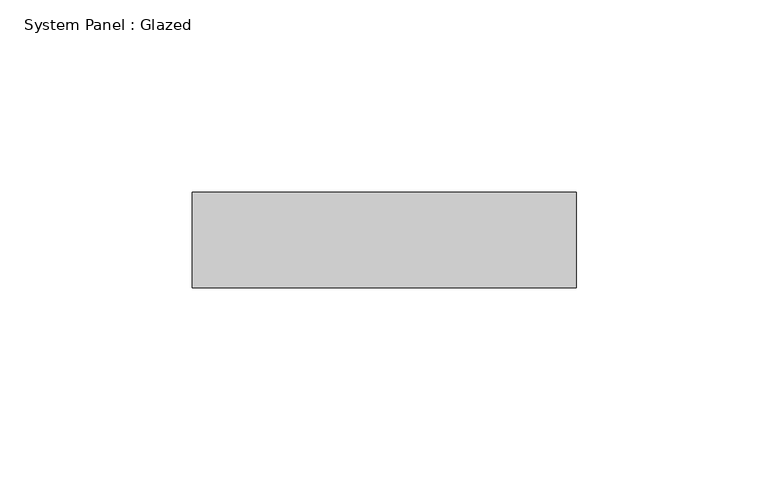
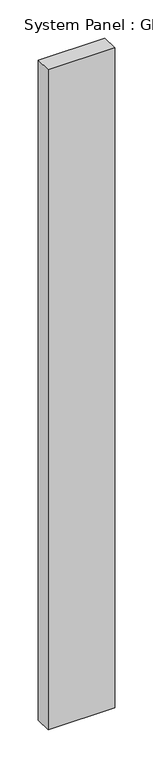
"""IFC4 building model written with IfcOpenShell, lengths in millimetres: plate geometry, System Panel : Glazed."""

import ifcopenshell
import ifcopenshell.guid

model = None  # the IFC model being written
_history = None  # IfcOwnerHistory: only IFC2X3 demands one
_inside = {}  # id of a spatial element -> (the spatial element, [elements in it])
_under = {}  # id of a project, library or spatial element -> (it, [spatial elements below it])
_declared = {}  # id of a project -> (the project, [libraries it declares])
_typed = {}  # id of a type object -> (the type object, [elements of that type])
_made_of = {}  # id of a material, layer set ... -> (it, [elements and type objects made of it])


def new_model(schema):
    """Start an empty IFC model of exactly this schema.

    Asked for "IFC4X3", IfcOpenShell would pick the latest addendum, in which some entities
    have other attributes; the version numbers below select the first issue.
    IFC2X3 requires an IfcOwnerHistory on every rooted entity: one is made here for all.
    """
    global model, _history
    if schema == "IFC4X3":
        model = ifcopenshell.file(schema_version=(4, 3, 0, 0))
    else:
        model = ifcopenshell.file(schema=schema)
    _inside.clear()
    _under.clear()
    _declared.clear()
    _typed.clear()
    _made_of.clear()
    _history = None
    if model.schema == "IFC2X3":
        org = make("IfcOrganization", Name="unknown")
        user = make(
            "IfcPersonAndOrganization",
            ThePerson=make("IfcPerson", FamilyName="unknown"),
            TheOrganization=org,
        )
        app = make(
            "IfcApplication",
            ApplicationDeveloper=org,
            Version="unknown",
            ApplicationFullName="unknown",
            ApplicationIdentifier="unknown",
        )
        _history = make(
            "IfcOwnerHistory",
            OwningUser=user,
            OwningApplication=app,
            ChangeAction="ADDED",
            CreationDate=0,
        )
    return model


def make(cls, **values):
    """One entity of the class cls with the attributes given. An attribute that is None is left unset."""
    return model.create_entity(
        cls, **{name: value for name, value in values.items() if value is not None}
    )


def rooted(cls, **values):
    """An entity with a GlobalId (a new one), such as an element, a storey or a relation."""
    return make(cls, GlobalId=ifcopenshell.guid.new(), OwnerHistory=_history, **values)


def si_unit(unit_type, name, prefix=None):
    """IfcSIUnit, for example si_unit("LENGTHUNIT", "METRE", prefix="MILLI")."""
    return make("IfcSIUnit", UnitType=unit_type, Prefix=prefix, Name=name)


def assignment(units):
    """IfcUnitAssignment: the units of a project."""
    return None if units is None else make("IfcUnitAssignment", Units=units)


def point(xyz):
    """IfcCartesianPoint."""
    return None if xyz is None else make("IfcCartesianPoint", Coordinates=xyz)


def direction(xyz):
    """IfcDirection."""
    return None if xyz is None else make("IfcDirection", DirectionRatios=xyz)


def frame(location, z_axis=None, x_axis=None):
    """IfcAxis2Placement3D, a coordinate frame: its origin and axes. An axis left out is left unset."""
    return make(
        "IfcAxis2Placement3D",
        Location=point(location),
        Axis=direction(z_axis),
        RefDirection=direction(x_axis),
    )


def origin():
    """The frame at (0, 0, 0) with its axes left unset."""
    return frame((0.0, 0.0, 0.0))


def origin_with_axes():
    """The frame at (0, 0, 0) with the z axis (0, 0, 1) and the x axis (1, 0, 0) written out."""
    return frame((0.0, 0.0, 0.0), z_axis=(0.0, 0.0, 1.0), x_axis=(1.0, 0.0, 0.0))


def place(relative_to, where):
    """IfcLocalPlacement: puts the frame where relative to a parent placement (None: the world)."""
    return make(
        "IfcLocalPlacement", PlacementRelTo=relative_to, RelativePlacement=where
    )


def context(
    kind, dimensions, precision=None, world=None, true_north=None, identifier=None
):
    """IfcGeometricRepresentationContext, for example the 3D "Model" context."""
    return make(
        "IfcGeometricRepresentationContext",
        ContextIdentifier=identifier,
        ContextType=kind,
        CoordinateSpaceDimension=dimensions,
        Precision=precision,
        WorldCoordinateSystem=world,
        TrueNorth=true_north,
    )


def project(units=None, contexts=None):
    """IfcProject with its units and contexts."""
    return rooted(
        "IfcProject",
        Name="project",
        RepresentationContexts=contexts,
        UnitsInContext=assignment(units),
    )


def spatial(cls, under=None, at=None, **own):
    """A site, building, storey or space (cls), placed at a placement, below another one or the project."""
    s = rooted(cls, ObjectPlacement=at, **own)
    if under is not None:
        _under.setdefault(under.id(), (under, []))[1].append(s)
    return s


def polyline(points):
    """IfcPolyline through the points."""
    return make("IfcPolyline", Points=[point(p) for p in points])


def outline(outer, holes=None, kind="AREA"):
    """IfcArbitraryClosedProfileDef: a profile drawn as a closed curve; with holes, ...WithVoids."""
    if holes is None:
        return make("IfcArbitraryClosedProfileDef", ProfileType=kind, OuterCurve=outer)
    return make(
        "IfcArbitraryProfileDefWithVoids",
        ProfileType=kind,
        OuterCurve=outer,
        InnerCurves=holes,
    )


def extrude(swept, where, along, depth):
    """IfcExtrudedAreaSolid: the profile swept, set in the frame where, extruded along a direction by depth."""
    return make(
        "IfcExtrudedAreaSolid",
        SweptArea=swept,
        Position=where,
        ExtrudedDirection=direction(along),
        Depth=depth,
    )


def shape(context_of_items, identifier, shape_type, items):
    """IfcShapeRepresentation: the items that make up one representation, for example the "Body"."""
    return make(
        "IfcShapeRepresentation",
        ContextOfItems=context_of_items,
        RepresentationIdentifier=identifier,
        RepresentationType=shape_type,
        Items=items,
    )


def source(mapping_origin, context_of_items, identifier, shape_type, items):
    """IfcRepresentationMap: a shape defined once, which mapped items show again and again."""
    return make(
        "IfcRepresentationMap",
        MappingOrigin=mapping_origin,
        MappedRepresentation=shape(context_of_items, identifier, shape_type, items),
    )


def transform(
    local_origin,
    x_axis=None,
    y_axis=None,
    z_axis=None,
    scale=None,
    scale2=None,
    scale3=None,
    uniform=True,
):
    """IfcCartesianTransformationOperator3D, or its non-uniform kind. x_axis, y_axis, z_axis: its Axis1, 2, 3."""
    if uniform:
        return make(
            "IfcCartesianTransformationOperator3D",
            Axis1=direction(x_axis),
            Axis2=direction(y_axis),
            LocalOrigin=point(local_origin),
            Scale=scale,
            Axis3=direction(z_axis),
        )
    return make(
        "IfcCartesianTransformationOperator3DnonUniform",
        Axis1=direction(x_axis),
        Axis2=direction(y_axis),
        LocalOrigin=point(local_origin),
        Scale=scale,
        Axis3=direction(z_axis),
        Scale2=scale2,
        Scale3=scale3,
    )


def mapped(mapping_source, mapping_target):
    """IfcMappedItem: shows the shape of a source again, moved by a transform."""
    return make(
        "IfcMappedItem", MappingSource=mapping_source, MappingTarget=mapping_target
    )


def made_of(thing, what):
    """Note that an element or type object is made of a material, layer set ...; save() writes the relation."""
    if what is not None:
        _made_of.setdefault(what.id(), (what, []))[1].append(thing)
    return thing


def element(
    cls,
    number,
    at=None,
    inside=None,
    cuts=None,
    type_object=None,
    material=None,
    context=None,
    identifier="Body",
    shape_type=None,
    held_by="IfcProductDefinitionShape",
    body=None,
    shapes=None,
    **own,
):
    """One element of the class cls, such as IfcWall. Its Tag is "e" and its number.

    at: its placement. inside: the storey or other place that contains it. cuts: it is an
    opening in that element (IfcRelVoidsElement). A single representation is given by context,
    identifier, shape_type and body (its items); several are given by shapes. held_by: the class
    of the entity that holds the representations. save() writes the other relations.
    """
    e = rooted(cls, Tag="e%d" % number, ObjectPlacement=at, **own)
    if body is not None:
        shapes = [shape(context, identifier, shape_type, body)]
    if shapes is not None:
        e.Representation = make(held_by, Representations=shapes)
    if inside is not None:
        _inside.setdefault(inside.id(), (inside, []))[1].append(e)
    if cuts is not None:
        rooted(
            "IfcRelVoidsElement", RelatingBuildingElement=cuts, RelatedOpeningElement=e
        )
    if type_object is not None:
        _typed.setdefault(type_object.id(), (type_object, []))[1].append(e)
    return made_of(e, material)


def aggregate(whole, parts):
    """IfcRelAggregates: a whole, such as a stair, and the parts it consists of."""
    return rooted("IfcRelAggregates", RelatingObject=whole, RelatedObjects=parts)


def save(model, path):
    """Write the relations noted so far, then the file.

    IfcRelAggregates (storeys below a building ...), IfcRelContainedInSpatialStructure (elements
    in a storey), IfcRelDefinesByType, IfcRelAssociatesMaterial and IfcRelDeclares: one each for
    every whole, place, type object, material and project.
    """
    for whole, parts in _under.values():
        aggregate(whole, parts)
    for where, things in _inside.values():
        rooted(
            "IfcRelContainedInSpatialStructure",
            RelatedElements=things,
            RelatingStructure=where,
        )
    for kind, things in _typed.values():
        rooted("IfcRelDefinesByType", RelatedObjects=things, RelatingType=kind)
    for what, things in _made_of.values():
        rooted("IfcRelAssociatesMaterial", RelatedObjects=things, RelatingMaterial=what)
    for by, libraries in _declared.values():
        rooted("IfcRelDeclares", RelatingContext=by, RelatedDefinitions=libraries)
    model.write(path)


def system_panel_glazed_36c77b84(model_context):
    return source(origin(), model_context, "Body", "SweptSolid", [
        extrude(outline(polyline([(50.0, -49.5), (-50.0, -49.5), (-50.0, -24.5), (50.0, -24.5), (50.0, -49.5)])), origin_with_axes(), (0.0, 0.0, 1.0), 1048.3333333),
    ])


if __name__ == "__main__":
    model = new_model("IFC4")
    model_context = context("Model", 3, world=origin())
    ifc_project = project(units=[si_unit("LENGTHUNIT", "METRE", prefix="MILLI")], contexts=[model_context])
    site = spatial("IfcSite", under=ifc_project)
    building = spatial("IfcBuilding", under=site)
    placement = place(None, origin())
    system_panel_glazed_shape = system_panel_glazed_36c77b84(model_context)
    element("IfcPlate", 1, ObjectType="System Panel : Glazed", at=placement, inside=building, context=model_context, shape_type="MappedRepresentation", body=[
        mapped(system_panel_glazed_shape, transform((0.0, 0.0, 0.0), x_axis=(1.0, 0.0, 0.0), y_axis=(0.0, 1.0, 0.0), z_axis=(0.0, 0.0, 1.0))),
    ])
    save(model, "model.ifc")
